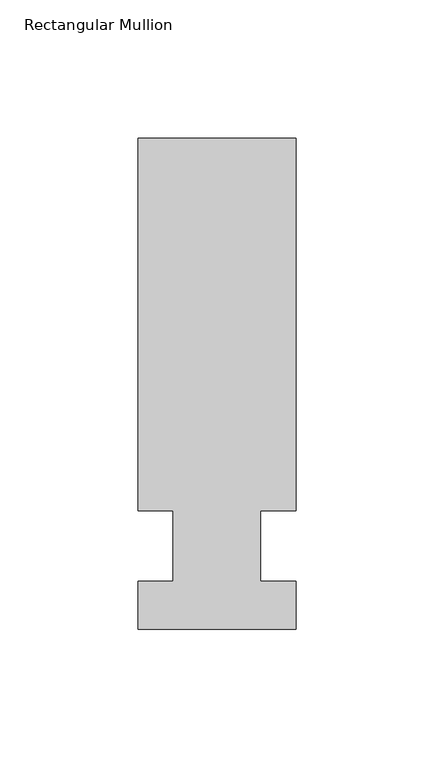
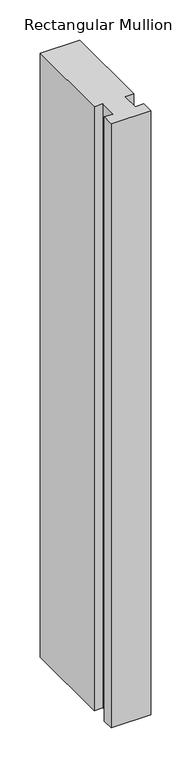
"""IFC4 building model written with IfcOpenShell, lengths in millimetres: member geometry, Rectangular Mullion."""

import ifcopenshell
import ifcopenshell.guid

model = None  # the IFC model being written
_history = None  # IfcOwnerHistory: only IFC2X3 demands one
_inside = {}  # id of a spatial element -> (the spatial element, [elements in it])
_under = {}  # id of a project, library or spatial element -> (it, [spatial elements below it])
_declared = {}  # id of a project -> (the project, [libraries it declares])
_typed = {}  # id of a type object -> (the type object, [elements of that type])
_made_of = {}  # id of a material, layer set ... -> (it, [elements and type objects made of it])


def new_model(schema):
    """Start an empty IFC model of exactly this schema.

    Asked for "IFC4X3", IfcOpenShell would pick the latest addendum, in which some entities
    have other attributes; the version numbers below select the first issue.
    IFC2X3 requires an IfcOwnerHistory on every rooted entity: one is made here for all.
    """
    global model, _history
    if schema == "IFC4X3":
        model = ifcopenshell.file(schema_version=(4, 3, 0, 0))
    else:
        model = ifcopenshell.file(schema=schema)
    _inside.clear()
    _under.clear()
    _declared.clear()
    _typed.clear()
    _made_of.clear()
    _history = None
    if model.schema == "IFC2X3":
        org = make("IfcOrganization", Name="unknown")
        user = make(
            "IfcPersonAndOrganization",
            ThePerson=make("IfcPerson", FamilyName="unknown"),
            TheOrganization=org,
        )
        app = make(
            "IfcApplication",
            ApplicationDeveloper=org,
            Version="unknown",
            ApplicationFullName="unknown",
            ApplicationIdentifier="unknown",
        )
        _history = make(
            "IfcOwnerHistory",
            OwningUser=user,
            OwningApplication=app,
            ChangeAction="ADDED",
            CreationDate=0,
        )
    return model


def make(cls, **values):
    """One entity of the class cls with the attributes given. An attribute that is None is left unset."""
    return model.create_entity(
        cls, **{name: value for name, value in values.items() if value is not None}
    )


def rooted(cls, **values):
    """An entity with a GlobalId (a new one), such as an element, a storey or a relation."""
    return make(cls, GlobalId=ifcopenshell.guid.new(), OwnerHistory=_history, **values)


def si_unit(unit_type, name, prefix=None):
    """IfcSIUnit, for example si_unit("LENGTHUNIT", "METRE", prefix="MILLI")."""
    return make("IfcSIUnit", UnitType=unit_type, Prefix=prefix, Name=name)


def assignment(units):
    """IfcUnitAssignment: the units of a project."""
    return None if units is None else make("IfcUnitAssignment", Units=units)


def point(xyz):
    """IfcCartesianPoint."""
    return None if xyz is None else make("IfcCartesianPoint", Coordinates=xyz)


def direction(xyz):
    """IfcDirection."""
    return None if xyz is None else make("IfcDirection", DirectionRatios=xyz)


def frame(location, z_axis=None, x_axis=None):
    """IfcAxis2Placement3D, a coordinate frame: its origin and axes. An axis left out is left unset."""
    return make(
        "IfcAxis2Placement3D",
        Location=point(location),
        Axis=direction(z_axis),
        RefDirection=direction(x_axis),
    )


def origin():
    """The frame at (0, 0, 0) with its axes left unset."""
    return frame((0.0, 0.0, 0.0))


def place(relative_to, where):
    """IfcLocalPlacement: puts the frame where relative to a parent placement (None: the world)."""
    return make(
        "IfcLocalPlacement", PlacementRelTo=relative_to, RelativePlacement=where
    )


def context(
    kind, dimensions, precision=None, world=None, true_north=None, identifier=None
):
    """IfcGeometricRepresentationContext, for example the 3D "Model" context."""
    return make(
        "IfcGeometricRepresentationContext",
        ContextIdentifier=identifier,
        ContextType=kind,
        CoordinateSpaceDimension=dimensions,
        Precision=precision,
        WorldCoordinateSystem=world,
        TrueNorth=true_north,
    )


def project(units=None, contexts=None):
    """IfcProject with its units and contexts."""
    return rooted(
        "IfcProject",
        Name="project",
        RepresentationContexts=contexts,
        UnitsInContext=assignment(units),
    )


def spatial(cls, under=None, at=None, **own):
    """A site, building, storey or space (cls), placed at a placement, below another one or the project."""
    s = rooted(cls, ObjectPlacement=at, **own)
    if under is not None:
        _under.setdefault(under.id(), (under, []))[1].append(s)
    return s


def polyline(points):
    """IfcPolyline through the points."""
    return make("IfcPolyline", Points=[point(p) for p in points])


def outline(outer, holes=None, kind="AREA"):
    """IfcArbitraryClosedProfileDef: a profile drawn as a closed curve; with holes, ...WithVoids."""
    if holes is None:
        return make("IfcArbitraryClosedProfileDef", ProfileType=kind, OuterCurve=outer)
    return make(
        "IfcArbitraryProfileDefWithVoids",
        ProfileType=kind,
        OuterCurve=outer,
        InnerCurves=holes,
    )


def extrude(swept, where, along, depth):
    """IfcExtrudedAreaSolid: the profile swept, set in the frame where, extruded along a direction by depth."""
    return make(
        "IfcExtrudedAreaSolid",
        SweptArea=swept,
        Position=where,
        ExtrudedDirection=direction(along),
        Depth=depth,
    )


def shape(context_of_items, identifier, shape_type, items):
    """IfcShapeRepresentation: the items that make up one representation, for example the "Body"."""
    return make(
        "IfcShapeRepresentation",
        ContextOfItems=context_of_items,
        RepresentationIdentifier=identifier,
        RepresentationType=shape_type,
        Items=items,
    )


def source(mapping_origin, context_of_items, identifier, shape_type, items):
    """IfcRepresentationMap: a shape defined once, which mapped items show again and again."""
    return make(
        "IfcRepresentationMap",
        MappingOrigin=mapping_origin,
        MappedRepresentation=shape(context_of_items, identifier, shape_type, items),
    )


def transform(
    local_origin,
    x_axis=None,
    y_axis=None,
    z_axis=None,
    scale=None,
    scale2=None,
    scale3=None,
    uniform=True,
):
    """IfcCartesianTransformationOperator3D, or its non-uniform kind. x_axis, y_axis, z_axis: its Axis1, 2, 3."""
    if uniform:
        return make(
            "IfcCartesianTransformationOperator3D",
            Axis1=direction(x_axis),
            Axis2=direction(y_axis),
            LocalOrigin=point(local_origin),
            Scale=scale,
            Axis3=direction(z_axis),
        )
    return make(
        "IfcCartesianTransformationOperator3DnonUniform",
        Axis1=direction(x_axis),
        Axis2=direction(y_axis),
        LocalOrigin=point(local_origin),
        Scale=scale,
        Axis3=direction(z_axis),
        Scale2=scale2,
        Scale3=scale3,
    )


def mapped(mapping_source, mapping_target):
    """IfcMappedItem: shows the shape of a source again, moved by a transform."""
    return make(
        "IfcMappedItem", MappingSource=mapping_source, MappingTarget=mapping_target
    )


def made_of(thing, what):
    """Note that an element or type object is made of a material, layer set ...; save() writes the relation."""
    if what is not None:
        _made_of.setdefault(what.id(), (what, []))[1].append(thing)
    return thing


def element(
    cls,
    number,
    at=None,
    inside=None,
    cuts=None,
    type_object=None,
    material=None,
    context=None,
    identifier="Body",
    shape_type=None,
    held_by="IfcProductDefinitionShape",
    body=None,
    shapes=None,
    **own,
):
    """One element of the class cls, such as IfcWall. Its Tag is "e" and its number.

    at: its placement. inside: the storey or other place that contains it. cuts: it is an
    opening in that element (IfcRelVoidsElement). A single representation is given by context,
    identifier, shape_type and body (its items); several are given by shapes. held_by: the class
    of the entity that holds the representations. save() writes the other relations.
    """
    e = rooted(cls, Tag="e%d" % number, ObjectPlacement=at, **own)
    if body is not None:
        shapes = [shape(context, identifier, shape_type, body)]
    if shapes is not None:
        e.Representation = make(held_by, Representations=shapes)
    if inside is not None:
        _inside.setdefault(inside.id(), (inside, []))[1].append(e)
    if cuts is not None:
        rooted(
            "IfcRelVoidsElement", RelatingBuildingElement=cuts, RelatedOpeningElement=e
        )
    if type_object is not None:
        _typed.setdefault(type_object.id(), (type_object, []))[1].append(e)
    return made_of(e, material)


def aggregate(whole, parts):
    """IfcRelAggregates: a whole, such as a stair, and the parts it consists of."""
    return rooted("IfcRelAggregates", RelatingObject=whole, RelatedObjects=parts)


def save(model, path):
    """Write the relations noted so far, then the file.

    IfcRelAggregates (storeys below a building ...), IfcRelContainedInSpatialStructure (elements
    in a storey), IfcRelDefinesByType, IfcRelAssociatesMaterial and IfcRelDeclares: one each for
    every whole, place, type object, material and project.
    """
    for whole, parts in _under.values():
        aggregate(whole, parts)
    for where, things in _inside.values():
        rooted(
            "IfcRelContainedInSpatialStructure",
            RelatedElements=things,
            RelatingStructure=where,
        )
    for kind, things in _typed.values():
        rooted("IfcRelDefinesByType", RelatedObjects=things, RelatingType=kind)
    for what, things in _made_of.values():
        rooted("IfcRelAssociatesMaterial", RelatedObjects=things, RelatingMaterial=what)
    for by, libraries in _declared.values():
        rooted("IfcRelDeclares", RelatingContext=by, RelatedDefinitions=libraries)
    model.write(path)


def rectangular_mullion_81aa620d(model_context):
    return source(origin(), model_context, "Body", "SweptSolid", [
        extrude(outline(polyline([(28.575, 147.6375), (28.575, 12.7), (15.8732296, 12.7), (15.8732296, -12.7), (28.575, -12.7), (28.575, -30.1625), (-28.575, -30.1625), (-28.575, -12.7), (-15.875, -12.7), (-15.875, 12.7), (-28.575, 12.7), (-28.575, 147.6375), (28.575, 147.6375)])), frame((0.0, 0.0, -920.75), z_axis=(0.0, 0.0, 1.0), x_axis=(1.0, 0.0, 0.0)), (0.0, 0.0, 1.0), 920.75),
    ])


if __name__ == "__main__":
    model = new_model("IFC4")
    model_context = context("Model", 3, world=origin())
    ifc_project = project(units=[si_unit("LENGTHUNIT", "METRE", prefix="MILLI")], contexts=[model_context])
    site = spatial("IfcSite", under=ifc_project)
    building = spatial("IfcBuilding", under=site)
    placement = place(None, origin())
    rectangular_mullion_shape = rectangular_mullion_81aa620d(model_context)
    element("IfcMember", 1, ObjectType="Rectangular Mullion", at=placement, inside=building, context=model_context, shape_type="MappedRepresentation", body=[
        mapped(rectangular_mullion_shape, transform((0.0, 0.0, 0.0), x_axis=(1.0, 0.0, 0.0), y_axis=(0.0, 1.0, 0.0), z_axis=(0.0, 0.0, 1.0))),
    ])
    save(model, "model.ifc")
